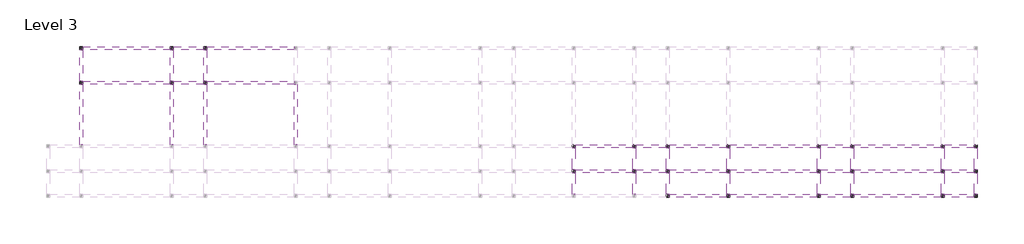
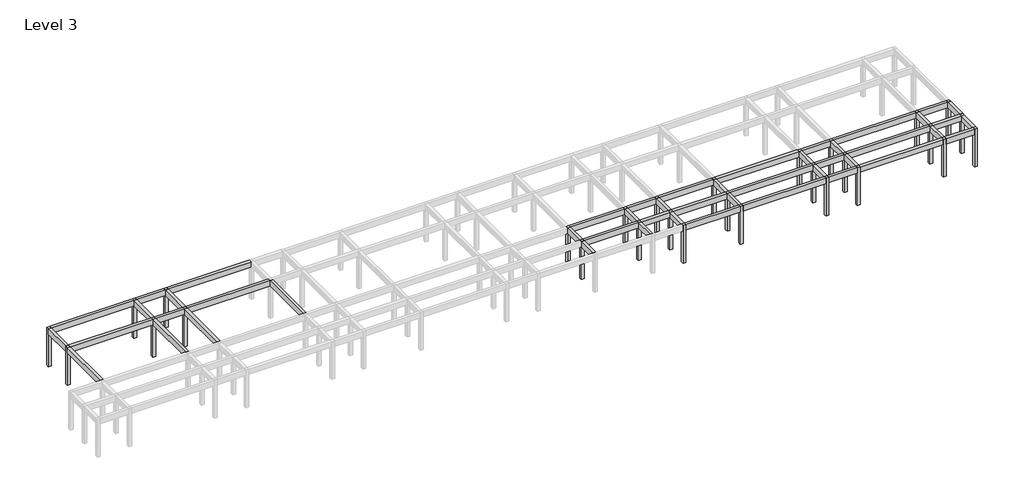
# One storey, part 2 of 3: 48 beams, 28 columns.
"""IFC4 building model written with IfcOpenShell, lengths in millimetres."""

from ifc_helpers import new_model, si_unit, frame, origin, place, context, project, spatial, polyline, outline, extrude, element, save

model = new_model("IFC4")

# Units and contexts
model_context = context("Model", 3, world=origin())
ifc_project = project(units=[si_unit("LENGTHUNIT", "METRE", prefix="MILLI")], contexts=[model_context])

# Site, building, storey
site = spatial("IfcSite", under=ifc_project)
building = spatial("IfcBuilding", under=site)
storey = spatial("IfcBuildingStorey", under=building, Name="Level 3", Elevation=8400.0)

# Beams
placement = place(None, origin())
element("IfcBeam", 1, ObjectType="M_Concrete-Rectangular Beam : 300 x 600mm", at=placement, inside=storey, context=model_context, shape_type="SweptSolid", body=[
    extrude(outline(polyline([(-17004.046467, 5874.2507663), (-16704.046467, 5874.2507663), (-16704.046467, -125.7492337), (-17004.046467, -125.7492337), (-17004.046467, 5874.2507663)])), frame((0.0, 0.0, 12000.0), z_axis=(0.0, 0.0, 1.0), x_axis=(1.0, 0.0, 0.0)), (0.0, 0.0, 1.0), 600.0),
])
element("IfcBeam", 2, ObjectType="M_Concrete-Rectangular Beam : 300 x 600mm", at=placement, inside=storey, context=model_context, shape_type="SweptSolid", body=[
    extrude(outline(polyline([(-17004.046467, 9324.2507663), (-16704.046467, 9324.2507663), (-16704.046467, 6174.2507663), (-17004.046467, 6174.2507663), (-17004.046467, 9324.2507663)])), frame((0.0, 0.0, 12000.0), z_axis=(0.0, 0.0, 1.0), x_axis=(1.0, 0.0, 0.0)), (0.0, 0.0, 1.0), 600.0),
])
element("IfcBeam", 3, ObjectType="M_Concrete-Rectangular Beam : 300 x 600mm", at=placement, inside=storey, context=model_context, shape_type="SweptSolid", body=[
    extrude(outline(polyline([(-8004.046467, 5874.2507663), (-7704.046467, 5874.2507663), (-7704.046467, -125.7492337), (-8004.046467, -125.7492337), (-8004.046467, 5874.2507663)])), frame((0.0, 0.0, 12000.0), z_axis=(0.0, 0.0, 1.0), x_axis=(1.0, 0.0, 0.0)), (0.0, 0.0, 1.0), 600.0),
])
element("IfcBeam", 4, ObjectType="M_Concrete-Rectangular Beam : 300 x 600mm", at=placement, inside=storey, context=model_context, shape_type="SweptSolid", body=[
    extrude(outline(polyline([(-8004.046467, 9324.2507663), (-7704.046467, 9324.2507663), (-7704.046467, 6174.2507663), (-8004.046467, 6174.2507663), (-8004.046467, 9324.2507663)])), frame((0.0, 0.0, 12000.0), z_axis=(0.0, 0.0, 1.0), x_axis=(1.0, 0.0, 0.0)), (0.0, 0.0, 1.0), 600.0),
])
element("IfcBeam", 5, ObjectType="M_Concrete-Rectangular Beam : 300 x 600mm", at=placement, inside=storey, context=model_context, shape_type="SweptSolid", body=[
    extrude(outline(polyline([(-4704.046467, 5874.2507663), (-4404.046467, 5874.2507663), (-4404.046467, -125.7492337), (-4704.046467, -125.7492337), (-4704.046467, 5874.2507663)])), frame((0.0, 0.0, 12000.0), z_axis=(0.0, 0.0, 1.0), x_axis=(1.0, 0.0, 0.0)), (0.0, 0.0, 1.0), 600.0),
])
element("IfcBeam", 6, ObjectType="M_Concrete-Rectangular Beam : 300 x 600mm", at=placement, inside=storey, context=model_context, shape_type="SweptSolid", body=[
    extrude(outline(polyline([(-4704.046467, 9324.2507663), (-4404.046467, 9324.2507663), (-4404.046467, 6174.2507663), (-4704.046467, 6174.2507663), (-4704.046467, 9324.2507663)])), frame((0.0, 0.0, 12000.0), z_axis=(0.0, 0.0, 1.0), x_axis=(1.0, 0.0, 0.0)), (0.0, 0.0, 1.0), 600.0),
])
element("IfcBeam", 7, ObjectType="M_Concrete-Rectangular Beam : 300 x 600mm", at=placement, inside=storey, context=model_context, shape_type="SweptSolid", body=[
    extrude(outline(polyline([(4295.953533, 5874.2507663), (4595.953533, 5874.2507663), (4595.953533, -125.7492337), (4295.953533, -125.7492337), (4295.953533, 5874.2507663)])), frame((0.0, 0.0, 12000.0), z_axis=(0.0, 0.0, 1.0), x_axis=(1.0, 0.0, 0.0)), (0.0, 0.0, 1.0), 600.0),
])
element("IfcBeam", 8, ObjectType="M_Concrete-Rectangular Beam : 300 x 600mm", at=placement, inside=storey, context=model_context, shape_type="SweptSolid", body=[
    extrude(outline(polyline([(31895.953533, -2925.7492337), (32195.953533, -2925.7492337), (32195.953533, -5025.7492337), (31895.953533, -5025.7492337), (31895.953533, -2925.7492337)])), frame((0.0, 0.0, 12000.0), z_axis=(0.0, 0.0, 1.0), x_axis=(1.0, 0.0, 0.0)), (0.0, 0.0, 1.0), 600.0),
])
element("IfcBeam", 9, ObjectType="M_Concrete-Rectangular Beam : 300 x 600mm", at=placement, inside=storey, context=model_context, shape_type="SweptSolid", body=[
    extrude(outline(polyline([(31895.953533, -425.7492337), (32195.953533, -425.7492337), (32195.953533, -2625.7492337), (31895.953533, -2625.7492337), (31895.953533, -425.7492337)])), frame((0.0, 0.0, 12000.0), z_axis=(0.0, 0.0, 1.0), x_axis=(1.0, 0.0, 0.0)), (0.0, 0.0, 1.0), 600.0),
])
element("IfcBeam", 10, ObjectType="M_Concrete-Rectangular Beam : 300 x 600mm", at=placement, inside=storey, context=model_context, shape_type="SweptSolid", body=[
    extrude(outline(polyline([(37895.953533, -2925.7492337), (38195.953533, -2925.7492337), (38195.953533, -5025.7492337), (37895.953533, -5025.7492337), (37895.953533, -2925.7492337)])), frame((0.0, 0.0, 12000.0), z_axis=(0.0, 0.0, 1.0), x_axis=(1.0, 0.0, 0.0)), (0.0, 0.0, 1.0), 600.0),
])
element("IfcBeam", 11, ObjectType="M_Concrete-Rectangular Beam : 300 x 600mm", at=placement, inside=storey, context=model_context, shape_type="SweptSolid", body=[
    extrude(outline(polyline([(37895.953533, -425.7492337), (38195.953533, -425.7492337), (38195.953533, -2625.7492337), (37895.953533, -2625.7492337), (37895.953533, -425.7492337)])), frame((0.0, 0.0, 12000.0), z_axis=(0.0, 0.0, 1.0), x_axis=(1.0, 0.0, 0.0)), (0.0, 0.0, 1.0), 600.0),
])
element("IfcBeam", 12, ObjectType="M_Concrete-Rectangular Beam : 300 x 600mm", at=placement, inside=storey, context=model_context, shape_type="SweptSolid", body=[
    extrude(outline(polyline([(41195.953533, -2925.7492337), (41495.953533, -2925.7492337), (41495.953533, -5025.7492337), (41195.953533, -5025.7492337), (41195.953533, -2925.7492337)])), frame((0.0, 0.0, 12000.0), z_axis=(0.0, 0.0, 1.0), x_axis=(1.0, 0.0, 0.0)), (0.0, 0.0, 1.0), 600.0),
])
element("IfcBeam", 13, ObjectType="M_Concrete-Rectangular Beam : 300 x 600mm", at=placement, inside=storey, context=model_context, shape_type="SweptSolid", body=[
    extrude(outline(polyline([(41195.953533, -425.7492337), (41495.953533, -425.7492337), (41495.953533, -2625.7492337), (41195.953533, -2625.7492337), (41195.953533, -425.7492337)])), frame((0.0, 0.0, 12000.0), z_axis=(0.0, 0.0, 1.0), x_axis=(1.0, 0.0, 0.0)), (0.0, 0.0, 1.0), 600.0),
])
element("IfcBeam", 14, ObjectType="M_Concrete-Rectangular Beam : 300 x 600mm", at=placement, inside=storey, context=model_context, shape_type="SweptSolid", body=[
    extrude(outline(polyline([(47195.953533, -2925.7492337), (47495.953533, -2925.7492337), (47495.953533, -5025.7492337), (47195.953533, -5025.7492337), (47195.953533, -2925.7492337)])), frame((0.0, 0.0, 12000.0), z_axis=(0.0, 0.0, 1.0), x_axis=(1.0, 0.0, 0.0)), (0.0, 0.0, 1.0), 600.0),
])
element("IfcBeam", 15, ObjectType="M_Concrete-Rectangular Beam : 300 x 600mm", at=placement, inside=storey, context=model_context, shape_type="SweptSolid", body=[
    extrude(outline(polyline([(47195.953533, -425.7492337), (47495.953533, -425.7492337), (47495.953533, -2625.7492337), (47195.953533, -2625.7492337), (47195.953533, -425.7492337)])), frame((0.0, 0.0, 12000.0), z_axis=(0.0, 0.0, 1.0), x_axis=(1.0, 0.0, 0.0)), (0.0, 0.0, 1.0), 600.0),
])
element("IfcBeam", 16, ObjectType="M_Concrete-Rectangular Beam : 300 x 600mm", at=placement, inside=storey, context=model_context, shape_type="SweptSolid", body=[
    extrude(outline(polyline([(56195.953533, -2925.7492337), (56495.953533, -2925.7492337), (56495.953533, -5025.7492337), (56195.953533, -5025.7492337), (56195.953533, -2925.7492337)])), frame((0.0, 0.0, 12000.0), z_axis=(0.0, 0.0, 1.0), x_axis=(1.0, 0.0, 0.0)), (0.0, 0.0, 1.0), 600.0),
])
element("IfcBeam", 17, ObjectType="M_Concrete-Rectangular Beam : 300 x 600mm", at=placement, inside=storey, context=model_context, shape_type="SweptSolid", body=[
    extrude(outline(polyline([(56195.953533, -425.7492337), (56495.953533, -425.7492337), (56495.953533, -2625.7492337), (56195.953533, -2625.7492337), (56195.953533, -425.7492337)])), frame((0.0, 0.0, 12000.0), z_axis=(0.0, 0.0, 1.0), x_axis=(1.0, 0.0, 0.0)), (0.0, 0.0, 1.0), 600.0),
])
element("IfcBeam", 18, ObjectType="M_Concrete-Rectangular Beam : 300 x 600mm", at=placement, inside=storey, context=model_context, shape_type="SweptSolid", body=[
    extrude(outline(polyline([(59495.953533, -2925.7492337), (59795.953533, -2925.7492337), (59795.953533, -5025.7492337), (59495.953533, -5025.7492337), (59495.953533, -2925.7492337)])), frame((0.0, 0.0, 12000.0), z_axis=(0.0, 0.0, 1.0), x_axis=(1.0, 0.0, 0.0)), (0.0, 0.0, 1.0), 600.0),
])
element("IfcBeam", 19, ObjectType="M_Concrete-Rectangular Beam : 300 x 600mm", at=placement, inside=storey, context=model_context, shape_type="SweptSolid", body=[
    extrude(outline(polyline([(59495.953533, -425.7492337), (59795.953533, -425.7492337), (59795.953533, -2625.7492337), (59495.953533, -2625.7492337), (59495.953533, -425.7492337)])), frame((0.0, 0.0, 12000.0), z_axis=(0.0, 0.0, 1.0), x_axis=(1.0, 0.0, 0.0)), (0.0, 0.0, 1.0), 600.0),
])
element("IfcBeam", 20, ObjectType="M_Concrete-Rectangular Beam : 300 x 600mm", at=placement, inside=storey, context=model_context, shape_type="SweptSolid", body=[
    extrude(outline(polyline([(68495.953533, -2925.7492337), (68795.953533, -2925.7492337), (68795.953533, -5025.7492337), (68495.953533, -5025.7492337), (68495.953533, -2925.7492337)])), frame((0.0, 0.0, 12000.0), z_axis=(0.0, 0.0, 1.0), x_axis=(1.0, 0.0, 0.0)), (0.0, 0.0, 1.0), 600.0),
])
element("IfcBeam", 21, ObjectType="M_Concrete-Rectangular Beam : 300 x 600mm", at=placement, inside=storey, context=model_context, shape_type="SweptSolid", body=[
    extrude(outline(polyline([(68495.953533, -425.7492337), (68795.953533, -425.7492337), (68795.953533, -2625.7492337), (68495.953533, -2625.7492337), (68495.953533, -425.7492337)])), frame((0.0, 0.0, 12000.0), z_axis=(0.0, 0.0, 1.0), x_axis=(1.0, 0.0, 0.0)), (0.0, 0.0, 1.0), 600.0),
])
element("IfcBeam", 22, ObjectType="M_Concrete-Rectangular Beam : 300 x 600mm", at=placement, inside=storey, context=model_context, shape_type="SweptSolid", body=[
    extrude(outline(polyline([(71795.953533, -2925.7492337), (72095.953533, -2925.7492337), (72095.953533, -5025.7492337), (71795.953533, -5025.7492337), (71795.953533, -2925.7492337)])), frame((0.0, 0.0, 12000.0), z_axis=(0.0, 0.0, 1.0), x_axis=(1.0, 0.0, 0.0)), (0.0, 0.0, 1.0), 600.0),
])
element("IfcBeam", 23, ObjectType="M_Concrete-Rectangular Beam : 300 x 600mm", at=placement, inside=storey, context=model_context, shape_type="SweptSolid", body=[
    extrude(outline(polyline([(71795.953533, -425.7492337), (72095.953533, -425.7492337), (72095.953533, -2625.7492337), (71795.953533, -2625.7492337), (71795.953533, -425.7492337)])), frame((0.0, 0.0, 12000.0), z_axis=(0.0, 0.0, 1.0), x_axis=(1.0, 0.0, 0.0)), (0.0, 0.0, 1.0), 600.0),
])
element("IfcBeam", 24, ObjectType="M_Concrete-Rectangular Beam : 300 x 600mm", at=placement, inside=storey, context=model_context, shape_type="SweptSolid", body=[
    extrude(outline(polyline([(-16704.046467, 9324.2507663), (-16704.046467, 9624.2507663), (-8004.046467, 9624.2507663), (-8004.046467, 9324.2507663), (-16704.046467, 9324.2507663)])), frame((0.0, 0.0, 12000.0), z_axis=(0.0, 0.0, 1.0), x_axis=(1.0, 0.0, 0.0)), (0.0, 0.0, 1.0), 600.0),
])
element("IfcBeam", 25, ObjectType="M_Concrete-Rectangular Beam : 300 x 600mm", at=placement, inside=storey, context=model_context, shape_type="SweptSolid", body=[
    extrude(outline(polyline([(-7704.046467, 9324.2507663), (-7704.046467, 9624.2507663), (-4704.046467, 9624.2507663), (-4704.046467, 9324.2507663), (-7704.046467, 9324.2507663)])), frame((0.0, 0.0, 12000.0), z_axis=(0.0, 0.0, 1.0), x_axis=(1.0, 0.0, 0.0)), (0.0, 0.0, 1.0), 600.0),
])
element("IfcBeam", 26, ObjectType="M_Concrete-Rectangular Beam : 300 x 600mm", at=placement, inside=storey, context=model_context, shape_type="SweptSolid", body=[
    extrude(outline(polyline([(-4404.046467, 9324.2507663), (-4404.046467, 9624.2507663), (4295.953533, 9624.2507663), (4295.953533, 9324.2507663), (-4404.046467, 9324.2507663)])), frame((0.0, 0.0, 12000.0), z_axis=(0.0, 0.0, 1.0), x_axis=(1.0, 0.0, 0.0)), (0.0, 0.0, 1.0), 600.0),
])
element("IfcBeam", 27, ObjectType="M_Concrete-Rectangular Beam : 300 x 600mm", at=placement, inside=storey, context=model_context, shape_type="SweptSolid", body=[
    extrude(outline(polyline([(-16704.046467, 5874.2507663), (-16704.046467, 6174.2507663), (-8004.046467, 6174.2507663), (-8004.046467, 5874.2507663), (-16704.046467, 5874.2507663)])), frame((0.0, 0.0, 12000.0), z_axis=(0.0, 0.0, 1.0), x_axis=(1.0, 0.0, 0.0)), (0.0, 0.0, 1.0), 600.0),
])
element("IfcBeam", 28, ObjectType="M_Concrete-Rectangular Beam : 300 x 600mm", at=placement, inside=storey, context=model_context, shape_type="SweptSolid", body=[
    extrude(outline(polyline([(-7704.046467, 5874.2507663), (-7704.046467, 6174.2507663), (-4704.046467, 6174.2507663), (-4704.046467, 5874.2507663), (-7704.046467, 5874.2507663)])), frame((0.0, 0.0, 12000.0), z_axis=(0.0, 0.0, 1.0), x_axis=(1.0, 0.0, 0.0)), (0.0, 0.0, 1.0), 600.0),
])
element("IfcBeam", 29, ObjectType="M_Concrete-Rectangular Beam : 300 x 600mm", at=placement, inside=storey, context=model_context, shape_type="SweptSolid", body=[
    extrude(outline(polyline([(-4404.046467, 5874.2507663), (-4404.046467, 6174.2507663), (4295.953533, 6174.2507663), (4295.953533, 5874.2507663), (-4404.046467, 5874.2507663)])), frame((0.0, 0.0, 12000.0), z_axis=(0.0, 0.0, 1.0), x_axis=(1.0, 0.0, 0.0)), (0.0, 0.0, 1.0), 600.0),
])
element("IfcBeam", 30, ObjectType="M_Concrete-Rectangular Beam : 300 x 600mm", at=placement, inside=storey, context=model_context, shape_type="SweptSolid", body=[
    extrude(outline(polyline([(32195.953533, -425.7492337), (32195.953533, -125.7492337), (37895.953533, -125.7492337), (37895.953533, -425.7492337), (32195.953533, -425.7492337)])), frame((0.0, 0.0, 12000.0), z_axis=(0.0, 0.0, 1.0), x_axis=(1.0, 0.0, 0.0)), (0.0, 0.0, 1.0), 600.0),
])
element("IfcBeam", 31, ObjectType="M_Concrete-Rectangular Beam : 300 x 600mm", at=placement, inside=storey, context=model_context, shape_type="SweptSolid", body=[
    extrude(outline(polyline([(38195.953533, -425.7492337), (38195.953533, -125.7492337), (41195.953533, -125.7492337), (41195.953533, -425.7492337), (38195.953533, -425.7492337)])), frame((0.0, 0.0, 12000.0), z_axis=(0.0, 0.0, 1.0), x_axis=(1.0, 0.0, 0.0)), (0.0, 0.0, 1.0), 600.0),
])
element("IfcBeam", 32, ObjectType="M_Concrete-Rectangular Beam : 300 x 600mm", at=placement, inside=storey, context=model_context, shape_type="SweptSolid", body=[
    extrude(outline(polyline([(41495.953533, -425.7492337), (41495.953533, -125.7492337), (47195.953533, -125.7492337), (47195.953533, -425.7492337), (41495.953533, -425.7492337)])), frame((0.0, 0.0, 12000.0), z_axis=(0.0, 0.0, 1.0), x_axis=(1.0, 0.0, 0.0)), (0.0, 0.0, 1.0), 600.0),
])
element("IfcBeam", 33, ObjectType="M_Concrete-Rectangular Beam : 300 x 600mm", at=placement, inside=storey, context=model_context, shape_type="SweptSolid", body=[
    extrude(outline(polyline([(47495.953533, -425.7492337), (47495.953533, -125.7492337), (56195.953533, -125.7492337), (56195.953533, -425.7492337), (47495.953533, -425.7492337)])), frame((0.0, 0.0, 12000.0), z_axis=(0.0, 0.0, 1.0), x_axis=(1.0, 0.0, 0.0)), (0.0, 0.0, 1.0), 600.0),
])
element("IfcBeam", 34, ObjectType="M_Concrete-Rectangular Beam : 300 x 600mm", at=placement, inside=storey, context=model_context, shape_type="SweptSolid", body=[
    extrude(outline(polyline([(56495.953533, -425.7492337), (56495.953533, -125.7492337), (59495.953533, -125.7492337), (59495.953533, -425.7492337), (56495.953533, -425.7492337)])), frame((0.0, 0.0, 12000.0), z_axis=(0.0, 0.0, 1.0), x_axis=(1.0, 0.0, 0.0)), (0.0, 0.0, 1.0), 600.0),
])
element("IfcBeam", 35, ObjectType="M_Concrete-Rectangular Beam : 300 x 600mm", at=placement, inside=storey, context=model_context, shape_type="SweptSolid", body=[
    extrude(outline(polyline([(59795.953533, -425.7492337), (59795.953533, -125.7492337), (68495.953533, -125.7492337), (68495.953533, -425.7492337), (59795.953533, -425.7492337)])), frame((0.0, 0.0, 12000.0), z_axis=(0.0, 0.0, 1.0), x_axis=(1.0, 0.0, 0.0)), (0.0, 0.0, 1.0), 600.0),
])
element("IfcBeam", 36, ObjectType="M_Concrete-Rectangular Beam : 300 x 600mm", at=placement, inside=storey, context=model_context, shape_type="SweptSolid", body=[
    extrude(outline(polyline([(68795.953533, -425.7492337), (68795.953533, -125.7492337), (71795.953533, -125.7492337), (71795.953533, -425.7492337), (68795.953533, -425.7492337)])), frame((0.0, 0.0, 12000.0), z_axis=(0.0, 0.0, 1.0), x_axis=(1.0, 0.0, 0.0)), (0.0, 0.0, 1.0), 600.0),
])
element("IfcBeam", 37, ObjectType="M_Concrete-Rectangular Beam : 300 x 600mm", at=placement, inside=storey, context=model_context, shape_type="SweptSolid", body=[
    extrude(outline(polyline([(32195.953533, -2925.7492337), (32195.953533, -2625.7492337), (37895.953533, -2625.7492337), (37895.953533, -2925.7492337), (32195.953533, -2925.7492337)])), frame((0.0, 0.0, 12000.0), z_axis=(0.0, 0.0, 1.0), x_axis=(1.0, 0.0, 0.0)), (0.0, 0.0, 1.0), 600.0),
])
element("IfcBeam", 38, ObjectType="M_Concrete-Rectangular Beam : 300 x 600mm", at=placement, inside=storey, context=model_context, shape_type="SweptSolid", body=[
    extrude(outline(polyline([(38195.953533, -2925.7492337), (38195.953533, -2625.7492337), (41195.953533, -2625.7492337), (41195.953533, -2925.7492337), (38195.953533, -2925.7492337)])), frame((0.0, 0.0, 12000.0), z_axis=(0.0, 0.0, 1.0), x_axis=(1.0, 0.0, 0.0)), (0.0, 0.0, 1.0), 600.0),
])
element("IfcBeam", 39, ObjectType="M_Concrete-Rectangular Beam : 300 x 600mm", at=placement, inside=storey, context=model_context, shape_type="SweptSolid", body=[
    extrude(outline(polyline([(41495.953533, -2925.7492337), (41495.953533, -2625.7492337), (47195.953533, -2625.7492337), (47195.953533, -2925.7492337), (41495.953533, -2925.7492337)])), frame((0.0, 0.0, 12000.0), z_axis=(0.0, 0.0, 1.0), x_axis=(1.0, 0.0, 0.0)), (0.0, 0.0, 1.0), 600.0),
])
element("IfcBeam", 40, ObjectType="M_Concrete-Rectangular Beam : 300 x 600mm", at=placement, inside=storey, context=model_context, shape_type="SweptSolid", body=[
    extrude(outline(polyline([(47495.953533, -2925.7492337), (47495.953533, -2625.7492337), (56195.953533, -2625.7492337), (56195.953533, -2925.7492337), (47495.953533, -2925.7492337)])), frame((0.0, 0.0, 12000.0), z_axis=(0.0, 0.0, 1.0), x_axis=(1.0, 0.0, 0.0)), (0.0, 0.0, 1.0), 600.0),
])
element("IfcBeam", 41, ObjectType="M_Concrete-Rectangular Beam : 300 x 600mm", at=placement, inside=storey, context=model_context, shape_type="SweptSolid", body=[
    extrude(outline(polyline([(56495.953533, -2925.7492337), (56495.953533, -2625.7492337), (59495.953533, -2625.7492337), (59495.953533, -2925.7492337), (56495.953533, -2925.7492337)])), frame((0.0, 0.0, 12000.0), z_axis=(0.0, 0.0, 1.0), x_axis=(1.0, 0.0, 0.0)), (0.0, 0.0, 1.0), 600.0),
])
element("IfcBeam", 42, ObjectType="M_Concrete-Rectangular Beam : 300 x 600mm", at=placement, inside=storey, context=model_context, shape_type="SweptSolid", body=[
    extrude(outline(polyline([(59795.953533, -2925.7492337), (59795.953533, -2625.7492337), (68495.953533, -2625.7492337), (68495.953533, -2925.7492337), (59795.953533, -2925.7492337)])), frame((0.0, 0.0, 12000.0), z_axis=(0.0, 0.0, 1.0), x_axis=(1.0, 0.0, 0.0)), (0.0, 0.0, 1.0), 600.0),
])
element("IfcBeam", 43, ObjectType="M_Concrete-Rectangular Beam : 300 x 600mm", at=placement, inside=storey, context=model_context, shape_type="SweptSolid", body=[
    extrude(outline(polyline([(68795.953533, -2925.7492337), (68795.953533, -2625.7492337), (71795.953533, -2625.7492337), (71795.953533, -2925.7492337), (68795.953533, -2925.7492337)])), frame((0.0, 0.0, 12000.0), z_axis=(0.0, 0.0, 1.0), x_axis=(1.0, 0.0, 0.0)), (0.0, 0.0, 1.0), 600.0),
])
element("IfcBeam", 44, ObjectType="M_Concrete-Rectangular Beam : 300 x 600mm", at=placement, inside=storey, context=model_context, shape_type="SweptSolid", body=[
    extrude(outline(polyline([(41495.953533, -5325.7492337), (41495.953533, -5025.7492337), (47195.953533, -5025.7492337), (47195.953533, -5325.7492337), (41495.953533, -5325.7492337)])), frame((0.0, 0.0, 12000.0), z_axis=(0.0, 0.0, 1.0), x_axis=(1.0, 0.0, 0.0)), (0.0, 0.0, 1.0), 600.0),
])
element("IfcBeam", 45, ObjectType="M_Concrete-Rectangular Beam : 300 x 600mm", at=placement, inside=storey, context=model_context, shape_type="SweptSolid", body=[
    extrude(outline(polyline([(47495.953533, -5325.7492337), (47495.953533, -5025.7492337), (56195.953533, -5025.7492337), (56195.953533, -5325.7492337), (47495.953533, -5325.7492337)])), frame((0.0, 0.0, 12000.0), z_axis=(0.0, 0.0, 1.0), x_axis=(1.0, 0.0, 0.0)), (0.0, 0.0, 1.0), 600.0),
])
element("IfcBeam", 46, ObjectType="M_Concrete-Rectangular Beam : 300 x 600mm", at=placement, inside=storey, context=model_context, shape_type="SweptSolid", body=[
    extrude(outline(polyline([(56495.953533, -5325.7492337), (56495.953533, -5025.7492337), (59495.953533, -5025.7492337), (59495.953533, -5325.7492337), (56495.953533, -5325.7492337)])), frame((0.0, 0.0, 12000.0), z_axis=(0.0, 0.0, 1.0), x_axis=(1.0, 0.0, 0.0)), (0.0, 0.0, 1.0), 600.0),
])
element("IfcBeam", 47, ObjectType="M_Concrete-Rectangular Beam : 300 x 600mm", at=placement, inside=storey, context=model_context, shape_type="SweptSolid", body=[
    extrude(outline(polyline([(59795.953533, -5325.7492337), (59795.953533, -5025.7492337), (68495.953533, -5025.7492337), (68495.953533, -5325.7492337), (59795.953533, -5325.7492337)])), frame((0.0, 0.0, 12000.0), z_axis=(0.0, 0.0, 1.0), x_axis=(1.0, 0.0, 0.0)), (0.0, 0.0, 1.0), 600.0),
])
element("IfcBeam", 48, ObjectType="M_Concrete-Rectangular Beam : 300 x 600mm", at=placement, inside=storey, context=model_context, shape_type="SweptSolid", body=[
    extrude(outline(polyline([(68795.953533, -5325.7492337), (68795.953533, -5025.7492337), (71795.953533, -5025.7492337), (71795.953533, -5325.7492337), (68795.953533, -5325.7492337)])), frame((0.0, 0.0, 12000.0), z_axis=(0.0, 0.0, 1.0), x_axis=(1.0, 0.0, 0.0)), (0.0, 0.0, 1.0), 600.0),
])

# Columns
element("IfcColumn", 49, ObjectType="M_Concrete-Square-Column : 300 x 300mm", at=placement, inside=storey, context=model_context, shape_type="SweptSolid", body=[
    extrude(outline(polyline([(-16704.046467, 9624.2507663), (-16704.046467, 9324.2507663), (-17004.046467, 9324.2507663), (-17004.046467, 9624.2507663), (-16704.046467, 9624.2507663)])), frame((0.0, 0.0, 8400.0), z_axis=(0.0, 0.0, 1.0), x_axis=(1.0, 0.0, 0.0)), (0.0, 0.0, 1.0), 4200.0),
])
element("IfcColumn", 50, ObjectType="M_Concrete-Square-Column : 300 x 300mm", at=placement, inside=storey, context=model_context, shape_type="SweptSolid", body=[
    extrude(outline(polyline([(-16704.046467, 6174.2507663), (-16704.046467, 5874.2507663), (-17004.046467, 5874.2507663), (-17004.046467, 6174.2507663), (-16704.046467, 6174.2507663)])), frame((0.0, 0.0, 8400.0), z_axis=(0.0, 0.0, 1.0), x_axis=(1.0, 0.0, 0.0)), (0.0, 0.0, 1.0), 4200.0),
])
element("IfcColumn", 51, ObjectType="M_Concrete-Square-Column : 300 x 300mm", at=placement, inside=storey, context=model_context, shape_type="SweptSolid", body=[
    extrude(outline(polyline([(-7704.046467, 9624.2507663), (-7704.046467, 9324.2507663), (-8004.046467, 9324.2507663), (-8004.046467, 9624.2507663), (-7704.046467, 9624.2507663)])), frame((0.0, 0.0, 8400.0), z_axis=(0.0, 0.0, 1.0), x_axis=(1.0, 0.0, 0.0)), (0.0, 0.0, 1.0), 4200.0),
])
element("IfcColumn", 52, ObjectType="M_Concrete-Square-Column : 300 x 300mm", at=placement, inside=storey, context=model_context, shape_type="SweptSolid", body=[
    extrude(outline(polyline([(-7704.046467, 6174.2507663), (-7704.046467, 5874.2507663), (-8004.046467, 5874.2507663), (-8004.046467, 6174.2507663), (-7704.046467, 6174.2507663)])), frame((0.0, 0.0, 8400.0), z_axis=(0.0, 0.0, 1.0), x_axis=(1.0, 0.0, 0.0)), (0.0, 0.0, 1.0), 4200.0),
])
element("IfcColumn", 53, ObjectType="M_Concrete-Square-Column : 300 x 300mm", at=placement, inside=storey, context=model_context, shape_type="SweptSolid", body=[
    extrude(outline(polyline([(-4404.046467, 9624.2507663), (-4404.046467, 9324.2507663), (-4704.046467, 9324.2507663), (-4704.046467, 9624.2507663), (-4404.046467, 9624.2507663)])), frame((0.0, 0.0, 8400.0), z_axis=(0.0, 0.0, 1.0), x_axis=(1.0, 0.0, 0.0)), (0.0, 0.0, 1.0), 4200.0),
])
element("IfcColumn", 54, ObjectType="M_Concrete-Square-Column : 300 x 300mm", at=placement, inside=storey, context=model_context, shape_type="SweptSolid", body=[
    extrude(outline(polyline([(-4404.046467, 6174.2507663), (-4404.046467, 5874.2507663), (-4704.046467, 5874.2507663), (-4704.046467, 6174.2507663), (-4404.046467, 6174.2507663)])), frame((0.0, 0.0, 8400.0), z_axis=(0.0, 0.0, 1.0), x_axis=(1.0, 0.0, 0.0)), (0.0, 0.0, 1.0), 4200.0),
])
element("IfcColumn", 55, ObjectType="M_Concrete-Square-Column : 300 x 300mm", at=placement, inside=storey, context=model_context, shape_type="SweptSolid", body=[
    extrude(outline(polyline([(32195.953533, -125.7492337), (32195.953533, -425.7492337), (31895.953533, -425.7492337), (31895.953533, -125.7492337), (32195.953533, -125.7492337)])), frame((0.0, 0.0, 8400.0), z_axis=(0.0, 0.0, 1.0), x_axis=(1.0, 0.0, 0.0)), (0.0, 0.0, 1.0), 4200.0),
])
element("IfcColumn", 56, ObjectType="M_Concrete-Square-Column : 300 x 300mm", at=placement, inside=storey, context=model_context, shape_type="SweptSolid", body=[
    extrude(outline(polyline([(32195.953533, -2625.7492337), (32195.953533, -2925.7492337), (31895.953533, -2925.7492337), (31895.953533, -2625.7492337), (32195.953533, -2625.7492337)])), frame((0.0, 0.0, 8400.0), z_axis=(0.0, 0.0, 1.0), x_axis=(1.0, 0.0, 0.0)), (0.0, 0.0, 1.0), 4200.0),
])
element("IfcColumn", 57, ObjectType="M_Concrete-Square-Column : 300 x 300mm", at=placement, inside=storey, context=model_context, shape_type="SweptSolid", body=[
    extrude(outline(polyline([(38195.953533, -125.7492337), (38195.953533, -425.7492337), (37895.953533, -425.7492337), (37895.953533, -125.7492337), (38195.953533, -125.7492337)])), frame((0.0, 0.0, 8400.0), z_axis=(0.0, 0.0, 1.0), x_axis=(1.0, 0.0, 0.0)), (0.0, 0.0, 1.0), 4200.0),
])
element("IfcColumn", 58, ObjectType="M_Concrete-Square-Column : 300 x 300mm", at=placement, inside=storey, context=model_context, shape_type="SweptSolid", body=[
    extrude(outline(polyline([(38195.953533, -2625.7492337), (38195.953533, -2925.7492337), (37895.953533, -2925.7492337), (37895.953533, -2625.7492337), (38195.953533, -2625.7492337)])), frame((0.0, 0.0, 8400.0), z_axis=(0.0, 0.0, 1.0), x_axis=(1.0, 0.0, 0.0)), (0.0, 0.0, 1.0), 4200.0),
])
element("IfcColumn", 59, ObjectType="M_Concrete-Square-Column : 300 x 300mm", at=placement, inside=storey, context=model_context, shape_type="SweptSolid", body=[
    extrude(outline(polyline([(41495.953533, -125.7492337), (41495.953533, -425.7492337), (41195.953533, -425.7492337), (41195.953533, -125.7492337), (41495.953533, -125.7492337)])), frame((0.0, 0.0, 8400.0), z_axis=(0.0, 0.0, 1.0), x_axis=(1.0, 0.0, 0.0)), (0.0, 0.0, 1.0), 4200.0),
])
element("IfcColumn", 60, ObjectType="M_Concrete-Square-Column : 300 x 300mm", at=placement, inside=storey, context=model_context, shape_type="SweptSolid", body=[
    extrude(outline(polyline([(41495.953533, -2625.7492337), (41495.953533, -2925.7492337), (41195.953533, -2925.7492337), (41195.953533, -2625.7492337), (41495.953533, -2625.7492337)])), frame((0.0, 0.0, 8400.0), z_axis=(0.0, 0.0, 1.0), x_axis=(1.0, 0.0, 0.0)), (0.0, 0.0, 1.0), 4200.0),
])
element("IfcColumn", 61, ObjectType="M_Concrete-Square-Column : 300 x 300mm", at=placement, inside=storey, context=model_context, shape_type="SweptSolid", body=[
    extrude(outline(polyline([(41495.953533, -5025.7492337), (41495.953533, -5325.7492337), (41195.953533, -5325.7492337), (41195.953533, -5025.7492337), (41495.953533, -5025.7492337)])), frame((0.0, 0.0, 8400.0), z_axis=(0.0, 0.0, 1.0), x_axis=(1.0, 0.0, 0.0)), (0.0, 0.0, 1.0), 4200.0),
])
element("IfcColumn", 62, ObjectType="M_Concrete-Square-Column : 300 x 300mm", at=placement, inside=storey, context=model_context, shape_type="SweptSolid", body=[
    extrude(outline(polyline([(47495.953533, -125.7492337), (47495.953533, -425.7492337), (47195.953533, -425.7492337), (47195.953533, -125.7492337), (47495.953533, -125.7492337)])), frame((0.0, 0.0, 8400.0), z_axis=(0.0, 0.0, 1.0), x_axis=(1.0, 0.0, 0.0)), (0.0, 0.0, 1.0), 4200.0),
])
element("IfcColumn", 63, ObjectType="M_Concrete-Square-Column : 300 x 300mm", at=placement, inside=storey, context=model_context, shape_type="SweptSolid", body=[
    extrude(outline(polyline([(47495.953533, -2625.7492337), (47495.953533, -2925.7492337), (47195.953533, -2925.7492337), (47195.953533, -2625.7492337), (47495.953533, -2625.7492337)])), frame((0.0, 0.0, 8400.0), z_axis=(0.0, 0.0, 1.0), x_axis=(1.0, 0.0, 0.0)), (0.0, 0.0, 1.0), 4200.0),
])
element("IfcColumn", 64, ObjectType="M_Concrete-Square-Column : 300 x 300mm", at=placement, inside=storey, context=model_context, shape_type="SweptSolid", body=[
    extrude(outline(polyline([(47495.953533, -5025.7492337), (47495.953533, -5325.7492337), (47195.953533, -5325.7492337), (47195.953533, -5025.7492337), (47495.953533, -5025.7492337)])), frame((0.0, 0.0, 8400.0), z_axis=(0.0, 0.0, 1.0), x_axis=(1.0, 0.0, 0.0)), (0.0, 0.0, 1.0), 4200.0),
])
element("IfcColumn", 65, ObjectType="M_Concrete-Square-Column : 300 x 300mm", at=placement, inside=storey, context=model_context, shape_type="SweptSolid", body=[
    extrude(outline(polyline([(56495.953533, -125.7492337), (56495.953533, -425.7492337), (56195.953533, -425.7492337), (56195.953533, -125.7492337), (56495.953533, -125.7492337)])), frame((0.0, 0.0, 8400.0), z_axis=(0.0, 0.0, 1.0), x_axis=(1.0, 0.0, 0.0)), (0.0, 0.0, 1.0), 4200.0),
])
element("IfcColumn", 66, ObjectType="M_Concrete-Square-Column : 300 x 300mm", at=placement, inside=storey, context=model_context, shape_type="SweptSolid", body=[
    extrude(outline(polyline([(56495.953533, -2625.7492337), (56495.953533, -2925.7492337), (56195.953533, -2925.7492337), (56195.953533, -2625.7492337), (56495.953533, -2625.7492337)])), frame((0.0, 0.0, 8400.0), z_axis=(0.0, 0.0, 1.0), x_axis=(1.0, 0.0, 0.0)), (0.0, 0.0, 1.0), 4200.0),
])
element("IfcColumn", 67, ObjectType="M_Concrete-Square-Column : 300 x 300mm", at=placement, inside=storey, context=model_context, shape_type="SweptSolid", body=[
    extrude(outline(polyline([(56495.953533, -5025.7492337), (56495.953533, -5325.7492337), (56195.953533, -5325.7492337), (56195.953533, -5025.7492337), (56495.953533, -5025.7492337)])), frame((0.0, 0.0, 8400.0), z_axis=(0.0, 0.0, 1.0), x_axis=(1.0, 0.0, 0.0)), (0.0, 0.0, 1.0), 4200.0),
])
element("IfcColumn", 68, ObjectType="M_Concrete-Square-Column : 300 x 300mm", at=placement, inside=storey, context=model_context, shape_type="SweptSolid", body=[
    extrude(outline(polyline([(59795.953533, -125.7492337), (59795.953533, -425.7492337), (59495.953533, -425.7492337), (59495.953533, -125.7492337), (59795.953533, -125.7492337)])), frame((0.0, 0.0, 8400.0), z_axis=(0.0, 0.0, 1.0), x_axis=(1.0, 0.0, 0.0)), (0.0, 0.0, 1.0), 4200.0),
])
element("IfcColumn", 69, ObjectType="M_Concrete-Square-Column : 300 x 300mm", at=placement, inside=storey, context=model_context, shape_type="SweptSolid", body=[
    extrude(outline(polyline([(59795.953533, -2625.7492337), (59795.953533, -2925.7492337), (59495.953533, -2925.7492337), (59495.953533, -2625.7492337), (59795.953533, -2625.7492337)])), frame((0.0, 0.0, 8400.0), z_axis=(0.0, 0.0, 1.0), x_axis=(1.0, 0.0, 0.0)), (0.0, 0.0, 1.0), 4200.0),
])
element("IfcColumn", 70, ObjectType="M_Concrete-Square-Column : 300 x 300mm", at=placement, inside=storey, context=model_context, shape_type="SweptSolid", body=[
    extrude(outline(polyline([(59795.953533, -5025.7492337), (59795.953533, -5325.7492337), (59495.953533, -5325.7492337), (59495.953533, -5025.7492337), (59795.953533, -5025.7492337)])), frame((0.0, 0.0, 8400.0), z_axis=(0.0, 0.0, 1.0), x_axis=(1.0, 0.0, 0.0)), (0.0, 0.0, 1.0), 4200.0),
])
element("IfcColumn", 71, ObjectType="M_Concrete-Square-Column : 300 x 300mm", at=placement, inside=storey, context=model_context, shape_type="SweptSolid", body=[
    extrude(outline(polyline([(68795.953533, -125.7492337), (68795.953533, -425.7492337), (68495.953533, -425.7492337), (68495.953533, -125.7492337), (68795.953533, -125.7492337)])), frame((0.0, 0.0, 8400.0), z_axis=(0.0, 0.0, 1.0), x_axis=(1.0, 0.0, 0.0)), (0.0, 0.0, 1.0), 4200.0),
])
element("IfcColumn", 72, ObjectType="M_Concrete-Square-Column : 300 x 300mm", at=placement, inside=storey, context=model_context, shape_type="SweptSolid", body=[
    extrude(outline(polyline([(68795.953533, -2625.7492337), (68795.953533, -2925.7492337), (68495.953533, -2925.7492337), (68495.953533, -2625.7492337), (68795.953533, -2625.7492337)])), frame((0.0, 0.0, 8400.0), z_axis=(0.0, 0.0, 1.0), x_axis=(1.0, 0.0, 0.0)), (0.0, 0.0, 1.0), 4200.0),
])
element("IfcColumn", 73, ObjectType="M_Concrete-Square-Column : 300 x 300mm", at=placement, inside=storey, context=model_context, shape_type="SweptSolid", body=[
    extrude(outline(polyline([(68795.953533, -5025.7492337), (68795.953533, -5325.7492337), (68495.953533, -5325.7492337), (68495.953533, -5025.7492337), (68795.953533, -5025.7492337)])), frame((0.0, 0.0, 8400.0), z_axis=(0.0, 0.0, 1.0), x_axis=(1.0, 0.0, 0.0)), (0.0, 0.0, 1.0), 4200.0),
])
element("IfcColumn", 74, ObjectType="M_Concrete-Square-Column : 300 x 300mm", at=placement, inside=storey, context=model_context, shape_type="SweptSolid", body=[
    extrude(outline(polyline([(72095.953533, -125.7492337), (72095.953533, -425.7492337), (71795.953533, -425.7492337), (71795.953533, -125.7492337), (72095.953533, -125.7492337)])), frame((0.0, 0.0, 8400.0), z_axis=(0.0, 0.0, 1.0), x_axis=(1.0, 0.0, 0.0)), (0.0, 0.0, 1.0), 4200.0),
])
element("IfcColumn", 75, ObjectType="M_Concrete-Square-Column : 300 x 300mm", at=placement, inside=storey, context=model_context, shape_type="SweptSolid", body=[
    extrude(outline(polyline([(72095.953533, -2625.7492337), (72095.953533, -2925.7492337), (71795.953533, -2925.7492337), (71795.953533, -2625.7492337), (72095.953533, -2625.7492337)])), frame((0.0, 0.0, 8400.0), z_axis=(0.0, 0.0, 1.0), x_axis=(1.0, 0.0, 0.0)), (0.0, 0.0, 1.0), 4200.0),
])
element("IfcColumn", 76, ObjectType="M_Concrete-Square-Column : 300 x 300mm", at=placement, inside=storey, context=model_context, shape_type="SweptSolid", body=[
    extrude(outline(polyline([(72095.953533, -5025.7492337), (72095.953533, -5325.7492337), (71795.953533, -5325.7492337), (71795.953533, -5025.7492337), (72095.953533, -5025.7492337)])), frame((0.0, 0.0, 8400.0), z_axis=(0.0, 0.0, 1.0), x_axis=(1.0, 0.0, 0.0)), (0.0, 0.0, 1.0), 4200.0),
])

save(model, "model.ifc")
